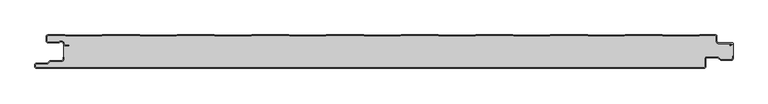
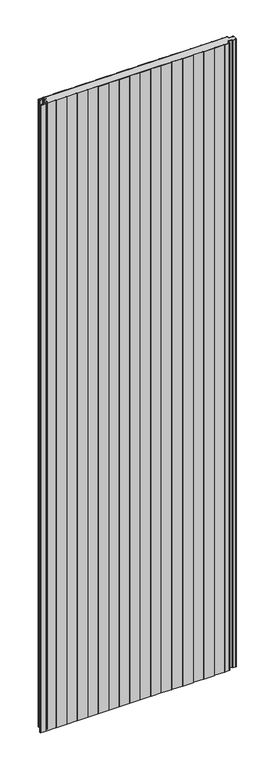
"""IFC4 building model written with IfcOpenShell, lengths in millimetres: plate geometry."""

from ifc_helpers import new_model, si_unit, point, frame_2d, origin, origin_with_axes, place, context, project, spatial, polyline, circle_curve, trimmed, segment, composite_curve, outline, extrude, source, transform, mapped, element, save


def plate_ec31231b(model_context):
    return source(origin(), model_context, "Body", "SweptSolid", [
        extrude(outline(composite_curve([segment(polyline([(-517.0, -47.5), (-517.0, -44.5)]), True, "CONTINUOUS"), segment(trimmed(circle_curve(frame_2d((-514.5, -44.5)), 2.5), [point((-517.0, -44.5))], [point((-514.5, -42.0))], False, "CARTESIAN"), True, "CONTINUOUS"), segment(polyline([(-514.5, -42.0), (-498.5, -42.0), (-494.75, -38.25), (-477.0, -38.25)]), True, "CONTINUOUS"), segment(trimmed(circle_curve(frame_2d((-477.0, -36.25)), 2.0), [point((-477.0, -38.25))], [point((-475.0, -36.25))], True, "CARTESIAN"), True, "CONTINUOUS"), segment(polyline([(-475.0, -36.25), (-475.0, -33.25), (-474.2, -33.25), (-474.2, -36.25)]), True, "CONTINUOUS"), segment(trimmed(circle_curve(frame_2d((-477.0, -36.25)), 2.8), [point((-474.2, -36.25))], [point((-477.0, -39.05))], False, "CARTESIAN"), True, "CONTINUOUS"), segment(polyline([(-477.0, -39.05), (-494.4186292, -39.05), (-498.1686292, -42.8), (-514.5, -42.8)]), True, "CONTINUOUS"), segment(trimmed(circle_curve(frame_2d((-514.5, -44.5)), 1.7), [point((-514.5, -42.8))], [point((-516.2, -44.5))], True, "CARTESIAN"), True, "CONTINUOUS"), segment(polyline([(-516.2, -44.5), (-516.2, -47.5)]), True, "CONTINUOUS"), segment(trimmed(circle_curve(frame_2d((-514.5, -47.5)), 1.7), [point((-516.2, -47.5))], [point((-514.5, -49.2))], True, "CARTESIAN"), True, "CONTINUOUS"), segment(polyline([(-514.5, -49.2), (-489.4444842, -49.2), (-488.4469842, -48.6), (-434.4430158, -48.6), (-433.4455158, -49.2), (-378.3344842, -49.2), (-377.3369842, -48.6), (-323.3330158, -48.6), (-322.3355158, -49.2), (-267.2244842, -49.2), (-266.2269842, -48.6), (-212.2230158, -48.6), (-211.2255158, -49.2), (-156.1144842, -49.2), (-155.1169842, -48.6), (-101.1130158, -48.6), (-100.1155158, -49.2), (-45.0044842, -49.2), (-44.0069842, -48.6), (9.9969842, -48.6), (10.9944842, -49.2), (66.1055158, -49.2), (67.1030158, -48.6), (121.1069842, -48.6), (122.1044842, -49.2), (177.2155158, -49.2), (178.2130158, -48.6), (232.2169842, -48.6), (233.2144842, -49.2), (288.3255158, -49.2), (289.3230158, -48.6), (343.3269842, -48.6), (344.3244842, -49.2), (399.4355158, -49.2), (400.4330158, -48.6), (454.4369842, -48.6), (455.4344842, -49.2), (480.5, -49.2)]), True, "CONTINUOUS"), segment(trimmed(circle_curve(frame_2d((480.5, -47.5)), 1.7), [point((480.5, -49.2))], [point((482.2, -47.5))], True, "CARTESIAN"), True, "CONTINUOUS"), segment(polyline([(482.2, -47.5), (482.2, -36.0)]), True, "CONTINUOUS"), segment(trimmed(circle_curve(frame_2d((485.0, -36.0)), 2.8), [point((482.2, -36.0))], [point((485.0, -33.2))], False, "CARTESIAN"), True, "CONTINUOUS"), segment(polyline([(485.0, -33.2), (501.7886271, -33.2), (505.8492873, -36.95), (521.5, -36.95)]), True, "CONTINUOUS"), segment(trimmed(circle_curve(frame_2d((521.5, -35.25)), 1.7), [point((521.5, -36.95))], [point((523.2, -35.25))], True, "CARTESIAN"), True, "CONTINUOUS"), segment(polyline([(523.2, -35.25), (523.2, -31.75), (524.0, -31.75), (524.0, -35.25)]), True, "CONTINUOUS"), segment(trimmed(circle_curve(frame_2d((521.5, -35.25)), 2.5), [point((524.0, -35.25))], [point((521.5, -37.75))], False, "CARTESIAN"), True, "CONTINUOUS"), segment(polyline([(521.5, -37.75), (505.5363961, -37.75), (501.4757359, -34.0), (485.0, -34.0)]), True, "CONTINUOUS"), segment(trimmed(circle_curve(frame_2d((485.0, -36.0)), 2.0), [point((485.0, -34.0))], [point((483.0, -36.0))], True, "CARTESIAN"), True, "CONTINUOUS"), segment(polyline([(483.0, -36.0), (483.0, -47.5)]), True, "CONTINUOUS"), segment(trimmed(circle_curve(frame_2d((480.5, -47.5)), 2.5), [point((483.0, -47.5))], [point((480.5, -50.0))], False, "CARTESIAN"), True, "CONTINUOUS"), segment(polyline([(480.5, -50.0), (455.2124211, -50.0), (454.2149211, -49.4), (400.6550789, -49.4), (399.6575789, -50.0), (344.1024211, -50.0), (343.1049211, -49.4), (289.5450789, -49.4), (288.5475789, -50.0), (232.9924211, -50.0), (231.9949211, -49.4), (178.4350789, -49.4), (177.4375789, -50.0), (121.8824211, -50.0), (120.8849211, -49.4), (67.3250789, -49.4), (66.3275789, -50.0), (10.7724211, -50.0), (9.7749211, -49.4), (-43.7849211, -49.4), (-44.7824211, -50.0), (-100.3375789, -50.0), (-101.3350789, -49.4), (-154.8949211, -49.4), (-155.8924211, -50.0), (-211.4475789, -50.0), (-212.4450789, -49.4), (-266.0049211, -49.4), (-267.0024211, -50.0), (-322.5575789, -50.0), (-323.5550789, -49.4), (-377.1149211, -49.4), (-378.1124211, -50.0), (-433.6675789, -50.0), (-434.6650789, -49.4), (-488.2249211, -49.4), (-489.2224211, -50.0), (-514.5, -50.0)]), True, "CONTINUOUS"), segment(trimmed(circle_curve(frame_2d((-514.5, -47.5)), 2.5), [point((-514.5, -50.0))], [point((-517.0, -47.5))], False, "CARTESIAN"), True, "CONTINUOUS")], self_intersect=False)), origin_with_axes(), (0.0, 0.0, 1.0), 3500.0),
        extrude(outline(composite_curve([segment(trimmed(circle_curve(frame_2d((-497.49499, -9.0180361)), 2.50501), [point((-497.49499, -11.5230461))], [point((-500.0, -9.0180361))], False, "CARTESIAN"), True, "CONTINUOUS"), segment(polyline([(-500.0, -9.0180361), (-500.0, -2.50501)]), True, "CONTINUOUS"), segment(trimmed(circle_curve(frame_2d((-497.49499, -2.50501)), 2.50501), [point((-500.0, -2.50501))], [point((-497.49499, 0.0))], False, "CARTESIAN"), True, "CONTINUOUS"), segment(polyline([(-497.49499, 0.0), (-472.2103007, 0.0), (-471.028188, -0.6012024), (-417.6391467, -0.6012024), (-416.457034, 0.0), (-360.8776353, 0.0), (-359.6955227, -0.6012024), (-306.3064814, -0.6012024), (-305.1243687, 0.0), (-249.54497, 0.0), (-248.3628573, -0.6012024), (-194.973816, -0.6012024), (-193.7917033, 0.0), (-138.2123047, 0.0), (-137.030192, -0.6012024), (-83.6411507, -0.6012024), (-82.459038, 0.0), (-26.8796393, 0.0), (-25.6975267, -0.6012024), (27.6915146, -0.6012024), (28.8736273, 0.0), (84.453026, 0.0), (85.6351387, -0.6012024), (139.02418, -0.6012024), (140.2062927, 0.0), (195.7856913, 0.0), (196.967804, -0.6012024), (250.3568453, -0.6012024), (251.538958, 0.0), (307.1183566, 0.0), (308.3004693, -0.6012024), (361.6895106, -0.6012024), (362.8716233, 0.0), (418.451022, 0.0), (419.6331347, -0.6012024), (473.022176, -0.6012024), (474.2042886, 0.0), (497.49499, 0.0)]), True, "CONTINUOUS"), segment(trimmed(circle_curve(frame_2d((497.49499, -2.50501)), 2.50501), [point((497.49499, 0.0))], [point((500.0, -2.50501))], False, "CARTESIAN"), True, "CONTINUOUS"), segment(polyline([(500.0, -2.50501), (500.0, -10.0200401)]), True, "CONTINUOUS"), segment(trimmed(circle_curve(frame_2d((502.004008, -10.0200401)), 2.004008), [point((500.0, -10.0200401))], [point((502.004008, -12.0240481))], True, "CARTESIAN"), True, "CONTINUOUS"), segment(polyline([(502.004008, -12.0240481), (522.96027, -12.0240481)]), True, "CONTINUOUS"), segment(trimmed(circle_curve(frame_2d((522.96027, -13.0490481)), 1.025), [point((522.96027, -12.0240481))], [point((523.47277, -13.9367241))], False, "CARTESIAN"), True, "CONTINUOUS"), segment(polyline([(523.47277, -13.9367241), (519.5390782, -16.2078422), (519.1390782, -15.5150218), (522.183956, -13.7570608)]), True, "CONTINUOUS"), segment(trimmed(circle_curve(frame_2d((521.933956, -13.3240481)), 0.5), [point((522.183956, -13.7570608))], [point((521.933956, -12.8240481))], True, "CARTESIAN"), True, "CONTINUOUS"), segment(polyline([(521.933956, -12.8240481), (502.004008, -12.8240481)]), True, "CONTINUOUS"), segment(trimmed(circle_curve(frame_2d((502.004008, -10.0200401)), 2.804008), [point((502.004008, -12.8240481))], [point((499.2, -10.0200401))], False, "CARTESIAN"), True, "CONTINUOUS"), segment(polyline([(499.2, -10.0200401), (499.2, -2.50501)]), True, "CONTINUOUS"), segment(trimmed(circle_curve(frame_2d((497.49499, -2.50501)), 1.70501), [point((499.2, -2.50501))], [point((497.49499, -0.8))], True, "CARTESIAN"), True, "CONTINUOUS"), segment(polyline([(497.49499, -0.8), (474.396035, -0.8), (473.2139223, -1.4012024), (419.4413883, -1.4012024), (418.2592756, -0.8), (363.0633697, -0.8), (361.881257, -1.4012024), (308.108723, -1.4012024), (306.9266103, -0.8), (251.7307044, -0.8), (250.5485917, -1.4012024), (196.7760576, -1.4012024), (195.5939449, -0.8), (140.398039, -0.8), (139.2159263, -1.4012024), (85.4433923, -1.4012024), (84.2612796, -0.8), (29.0653737, -0.8), (27.883261, -1.4012024), (-25.889273, -1.4012024), (-27.0713857, -0.8), (-82.2672916, -0.8), (-83.4494043, -1.4012024), (-137.2219384, -1.4012024), (-138.4040511, -0.8), (-193.599957, -0.8), (-194.7820696, -1.4012024), (-248.5546037, -1.4012024), (-249.7367164, -0.8), (-304.9326223, -0.8), (-306.114735, -1.4012024), (-359.887269, -1.4012024), (-361.0693817, -0.8), (-416.2652876, -0.8), (-417.4474003, -1.4012024), (-471.2199344, -1.4012024), (-472.4020471, -0.8), (-497.49499, -0.8)]), True, "CONTINUOUS"), segment(trimmed(circle_curve(frame_2d((-497.49499, -2.50501)), 1.70501), [point((-497.49499, -0.8))], [point((-499.2, -2.50501))], True, "CARTESIAN"), True, "CONTINUOUS"), segment(polyline([(-499.2, -2.50501), (-499.2, -9.0180361)]), True, "CONTINUOUS"), segment(trimmed(circle_curve(frame_2d((-497.49499, -9.0180361)), 1.70501), [point((-499.2, -9.0180361))], [point((-497.49499, -10.7230461))], True, "CARTESIAN"), True, "CONTINUOUS"), segment(polyline([(-497.49499, -10.7230461), (-481.8173283, -10.7230461)]), True, "CONTINUOUS"), segment(trimmed(circle_curve(frame_2d((-481.8173283, -9.0180361)), 1.70501), [point((-481.8173283, -10.7230461))], [point((-480.6895701, -10.2967936))], True, "CARTESIAN"), True, "CONTINUOUS"), segment(trimmed(circle_curve(frame_2d((-477.8407481, -13.5270541)), 4.307014), [point((-480.6895701, -10.2967936))], [point((-473.7934788, -12.0539686))], False, "CARTESIAN"), True, "CONTINUOUS"), segment(polyline([(-473.7934788, -12.0539686), (-473.0450711, -14.1102019)]), True, "CONTINUOUS"), segment(trimmed(circle_curve(frame_2d((-471.4428858, -13.5270541)), 1.70501), [point((-473.0450711, -14.1102019))], [point((-471.4428858, -15.2320641))], True, "CARTESIAN"), True, "CONTINUOUS"), segment(polyline([(-471.4428858, -15.2320641), (-466.4328657, -15.2320641), (-466.4328657, -16.0320641), (-471.4428858, -16.0320641)]), True, "CONTINUOUS"), segment(trimmed(circle_curve(frame_2d((-471.4428858, -13.5270541)), 2.50501), [point((-471.4428858, -16.0320641))], [point((-473.7968252, -14.383818))], False, "CARTESIAN"), True, "CONTINUOUS"), segment(polyline([(-473.7968252, -14.383818), (-474.5452329, -12.3275847)]), True, "CONTINUOUS"), segment(trimmed(circle_curve(frame_2d((-477.8407481, -13.5270541)), 3.507014), [point((-474.5452329, -12.3275847))], [point((-480.1604199, -10.8967936))], True, "CARTESIAN"), True, "CONTINUOUS"), segment(trimmed(circle_curve(frame_2d((-481.8173283, -9.0180361)), 2.50501), [point((-480.1604199, -10.8967936))], [point((-481.8173283, -11.5230461))], False, "CARTESIAN"), True, "CONTINUOUS"), segment(polyline([(-481.8173283, -11.5230461), (-497.49499, -11.5230461)]), True, "CONTINUOUS")], self_intersect=False)), origin_with_axes(), (0.0, 0.0, 1.0), 3500.0),
        extrude(outline(composite_curve([segment(trimmed(circle_curve(frame_2d((521.5, -35.25)), 1.7), [point((523.2, -35.25))], [point((521.5, -36.95))], False, "CARTESIAN"), True, "CONTINUOUS"), segment(polyline([(521.5, -36.95), (505.8492873, -36.95), (501.7886271, -33.2), (485.0, -33.2)]), True, "CONTINUOUS"), segment(trimmed(circle_curve(frame_2d((485.0, -36.0)), 2.8), [point((485.0, -33.2))], [point((482.2, -36.0))], True, "CARTESIAN"), True, "CONTINUOUS"), segment(polyline([(482.2, -36.0), (482.2, -47.5)]), True, "CONTINUOUS"), segment(trimmed(circle_curve(frame_2d((480.5, -47.5)), 1.7), [point((482.2, -47.5))], [point((480.5, -49.2))], False, "CARTESIAN"), True, "CONTINUOUS"), segment(polyline([(480.5, -49.2), (455.4344842, -49.2), (454.4369842, -48.6), (400.4330158, -48.6), (399.4355158, -49.2), (344.3244842, -49.2), (343.3269842, -48.6), (289.3230158, -48.6), (288.3255158, -49.2), (233.2144842, -49.2), (232.2169842, -48.6), (178.2130158, -48.6), (177.2155158, -49.2), (122.1044842, -49.2), (121.1069842, -48.6), (67.1030158, -48.6), (66.1055158, -49.2), (10.9944842, -49.2), (9.9969842, -48.6), (-44.0069842, -48.6), (-45.0044842, -49.2), (-100.1155158, -49.2), (-101.1130158, -48.6), (-155.1169842, -48.6), (-156.1144842, -49.2), (-211.2255158, -49.2), (-212.2230158, -48.6), (-266.2269842, -48.6), (-267.2244842, -49.2), (-322.3355158, -49.2), (-323.3330158, -48.6), (-377.3369842, -48.6), (-378.3344842, -49.2), (-433.4455158, -49.2), (-434.4430158, -48.6), (-488.4469842, -48.6), (-489.4444842, -49.2), (-514.5, -49.2)]), True, "CONTINUOUS"), segment(trimmed(circle_curve(frame_2d((-514.5, -47.5)), 1.7), [point((-514.5, -49.2))], [point((-516.2, -47.5))], False, "CARTESIAN"), True, "CONTINUOUS"), segment(polyline([(-516.2, -47.5), (-516.2, -44.5)]), True, "CONTINUOUS"), segment(trimmed(circle_curve(frame_2d((-514.5, -44.5)), 1.7), [point((-516.2, -44.5))], [point((-514.5, -42.8))], False, "CARTESIAN"), True, "CONTINUOUS"), segment(polyline([(-514.5, -42.8), (-498.1686292, -42.8), (-494.4186292, -39.05), (-477.0, -39.05)]), True, "CONTINUOUS"), segment(trimmed(circle_curve(frame_2d((-477.0, -36.25)), 2.8), [point((-477.0, -39.05))], [point((-474.2, -36.25))], True, "CARTESIAN"), True, "CONTINUOUS"), segment(polyline([(-474.2, -36.25), (-474.2, -11.2258973)]), True, "CONTINUOUS"), segment(trimmed(circle_curve(frame_2d((-477.8407481, -13.5270541)), 4.307014), [point((-474.2, -11.2258973))], [point((-480.6895701, -10.2967936))], True, "CARTESIAN"), True, "CONTINUOUS"), segment(trimmed(circle_curve(frame_2d((-481.8173283, -9.0180361)), 1.70501), [point((-480.6895701, -10.2967936))], [point((-481.8173283, -10.7230461))], False, "CARTESIAN"), True, "CONTINUOUS"), segment(polyline([(-481.8173283, -10.7230461), (-497.49499, -10.7230461)]), True, "CONTINUOUS"), segment(trimmed(circle_curve(frame_2d((-497.49499, -9.0180361)), 1.70501), [point((-497.49499, -10.7230461))], [point((-499.2, -9.0180361))], False, "CARTESIAN"), True, "CONTINUOUS"), segment(polyline([(-499.2, -9.0180361), (-499.2, -2.50501)]), True, "CONTINUOUS"), segment(trimmed(circle_curve(frame_2d((-497.49499, -2.50501)), 1.70501), [point((-499.2, -2.50501))], [point((-497.49499, -0.8))], False, "CARTESIAN"), True, "CONTINUOUS"), segment(polyline([(-497.49499, -0.8), (-472.4020471, -0.8), (-471.2199344, -1.4012024), (-417.4474003, -1.4012024), (-416.2652876, -0.8), (-361.0693817, -0.8), (-359.887269, -1.4012024), (-306.114735, -1.4012024), (-304.9326223, -0.8), (-249.7367164, -0.8), (-248.5546037, -1.4012024), (-194.7820696, -1.4012024), (-193.599957, -0.8), (-138.4040511, -0.8), (-137.2219384, -1.4012024), (-83.4494043, -1.4012024), (-82.2672916, -0.8), (-27.0713857, -0.8), (-25.889273, -1.4012024), (27.883261, -1.4012024), (29.0653737, -0.8), (84.2612796, -0.8), (85.4433923, -1.4012024), (139.2159263, -1.4012024), (140.398039, -0.8), (195.5939449, -0.8), (196.7760576, -1.4012024), (250.5485917, -1.4012024), (251.7307044, -0.8), (306.9266103, -0.8), (308.108723, -1.4012024), (361.881257, -1.4012024), (363.0633697, -0.8), (418.2592756, -0.8), (419.4413883, -1.4012024), (473.2139223, -1.4012024), (474.396035, -0.8), (497.49499, -0.8)]), True, "CONTINUOUS"), segment(trimmed(circle_curve(frame_2d((497.49499, -2.50501)), 1.70501), [point((497.49499, -0.8))], [point((499.2, -2.50501))], False, "CARTESIAN"), True, "CONTINUOUS"), segment(polyline([(499.2, -2.50501), (499.2, -10.0200401)]), True, "CONTINUOUS"), segment(trimmed(circle_curve(frame_2d((502.004008, -10.0200401)), 2.804008), [point((499.2, -10.0200401))], [point((502.004008, -12.8240481))], True, "CARTESIAN"), True, "CONTINUOUS"), segment(polyline([(502.004008, -12.8240481), (524.0, -12.8240481), (524.0, -31.75), (523.2, -31.75), (523.2, -35.25)]), True, "CONTINUOUS")], self_intersect=False)), origin_with_axes(), (0.0, 0.0, 1.0), 3500.0),
    ])


if __name__ == "__main__":
    model = new_model("IFC4")
    model_context = context("Model", 3, world=origin())
    ifc_project = project(units=[si_unit("LENGTHUNIT", "METRE", prefix="MILLI")], contexts=[model_context])
    site = spatial("IfcSite", under=ifc_project)
    building = spatial("IfcBuilding", under=site)
    placement = place(None, origin())
    plate_shape = plate_ec31231b(model_context)
    element("IfcPlate", 1, at=placement, inside=building, context=model_context, shape_type="MappedRepresentation", body=[
        mapped(plate_shape, transform((0.0, 0.0, 0.0), x_axis=(1.0, 0.0, 0.0), y_axis=(0.0, 1.0, 0.0), z_axis=(0.0, 0.0, 1.0))),
    ])
    save(model, "model.ifc")
